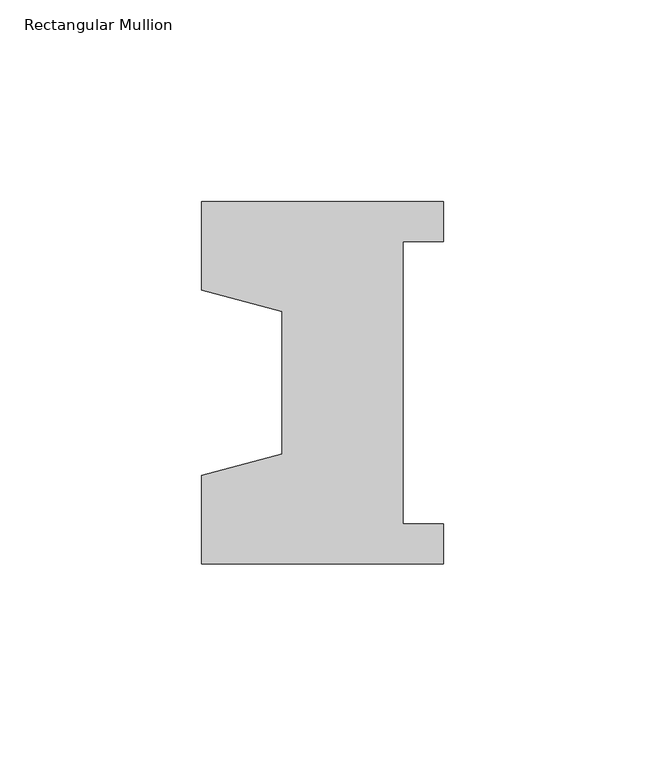
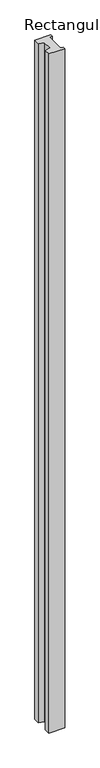
"""IFC4 building model written with IfcOpenShell, lengths in millimetres: member geometry, Rectangular Mullion."""

from ifc_helpers import new_model, si_unit, frame, origin, place, context, project, spatial, polyline, outline, extrude, source, transform, mapped, element, save


def rectangular_mullion_6f56c7cd(model_context):
    return source(origin(), model_context, "Body", "SweptSolid", [
        extrude(outline(polyline([(-60.0, -45.0), (-60.0, -22.9993165), (-40.0, -17.6401049), (-40.0, 17.6401049), (-60.0, 22.9993165), (-60.0, 45.0), (0.0, 45.0), (0.0, 35.0), (-10.0, 35.0), (-10.0, -35.0), (0.0, -35.0), (0.0, -45.0), (-60.0, -45.0)])), frame((0.0, 0.0, -2700.0), z_axis=(0.0, 0.0, 1.0), x_axis=(1.0, 0.0, 0.0)), (0.0, 0.0, 1.0), 2700.0),
    ])


if __name__ == "__main__":
    model = new_model("IFC4")
    model_context = context("Model", 3, world=origin())
    ifc_project = project(units=[si_unit("LENGTHUNIT", "METRE", prefix="MILLI")], contexts=[model_context])
    site = spatial("IfcSite", under=ifc_project)
    building = spatial("IfcBuilding", under=site)
    placement = place(None, origin())
    rectangular_mullion_shape = rectangular_mullion_6f56c7cd(model_context)
    element("IfcMember", 1, ObjectType="Rectangular Mullion", at=placement, inside=building, context=model_context, shape_type="MappedRepresentation", body=[
        mapped(rectangular_mullion_shape, transform((0.0, 0.0, 0.0), x_axis=(1.0, 0.0, 0.0), y_axis=(0.0, 1.0, 0.0), z_axis=(0.0, 0.0, 1.0))),
    ])
    save(model, "model.ifc")
